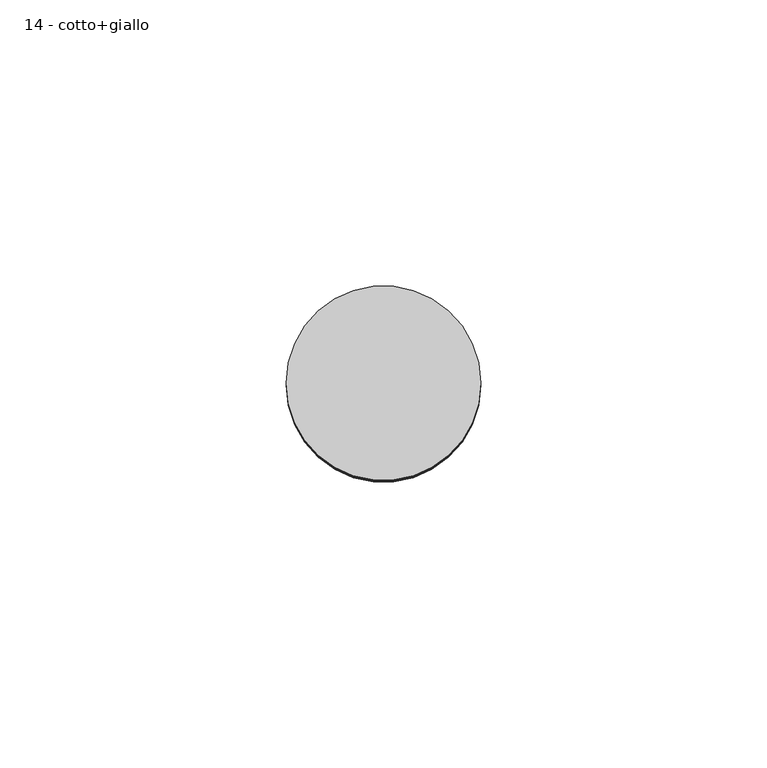
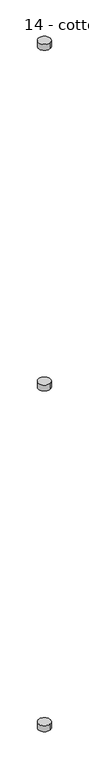
"""IFC4 building model written with IfcOpenShell, lengths in millimetres: plate geometry, 14 - cotto+giallo."""

from ifc_helpers import new_model, si_unit, point, frame, origin, origin_2d, place, context, project, spatial, circle_curve, trimmed, segment, composite_curve, outline, extrude, source, transform, mapped, element, save


def plate_14_cotto_giallo_6a55f392(model_context):
    return source(origin(), model_context, "Body", "SweptSolid", [
        extrude(outline(composite_curve([segment(trimmed(circle_curve(origin_2d(), 17.0), [point((-8.5, 14.7224319))], [point((8.5, -14.7224319))], False, "CARTESIAN"), True, "CONTINUOUS"), segment(trimmed(circle_curve(origin_2d(), 17.0), [point((8.5, -14.7224319))], [point((-8.5, 14.7224319))], False, "CARTESIAN"), True, "CONTINUOUS")], self_intersect=False)), frame((0.0, 0.0, 2983.0), z_axis=(0.0, 0.0, 1.0), x_axis=(1.0, 0.0, 0.0)), (0.0, 0.0, 1.0), 17.0),
        extrude(outline(composite_curve([segment(trimmed(circle_curve(origin_2d(), 17.0), [point((-8.5, 14.7224319))], [point((8.5, -14.7224319))], False, "CARTESIAN"), True, "CONTINUOUS"), segment(trimmed(circle_curve(origin_2d(), 17.0), [point((8.5, -14.7224319))], [point((-8.5, 14.7224319))], False, "CARTESIAN"), True, "CONTINUOUS")], self_intersect=False)), frame((0.0, 0.0, 1983.0), z_axis=(0.0, 0.0, 1.0), x_axis=(1.0, 0.0, 0.0)), (0.0, 0.0, 1.0), 17.0),
        extrude(outline(composite_curve([segment(trimmed(circle_curve(origin_2d(), 17.0), [point((-8.5, 14.7224319))], [point((8.5, -14.7224319))], False, "CARTESIAN"), True, "CONTINUOUS"), segment(trimmed(circle_curve(origin_2d(), 17.0), [point((8.5, -14.7224319))], [point((-8.5, 14.7224319))], False, "CARTESIAN"), True, "CONTINUOUS")], self_intersect=False)), frame((0.0, 0.0, 983.0), z_axis=(0.0, 0.0, 1.0), x_axis=(1.0, 0.0, 0.0)), (0.0, 0.0, 1.0), 17.0),
    ])


if __name__ == "__main__":
    model = new_model("IFC4")
    model_context = context("Model", 3, world=origin())
    ifc_project = project(units=[si_unit("LENGTHUNIT", "METRE", prefix="MILLI")], contexts=[model_context])
    site = spatial("IfcSite", under=ifc_project)
    building = spatial("IfcBuilding", under=site)
    placement = place(None, origin())
    plate_14_cotto_giallo_shape = plate_14_cotto_giallo_6a55f392(model_context)
    element("IfcPlate", 1, ObjectType="14 - cotto+giallo", at=placement, inside=building, context=model_context, shape_type="MappedRepresentation", body=[
        mapped(plate_14_cotto_giallo_shape, transform((0.0, 0.0, 0.0), x_axis=(1.0, 0.0, 0.0), y_axis=(0.0, 1.0, 0.0), z_axis=(0.0, 0.0, 1.0))),
    ])
    save(model, "model.ifc")
